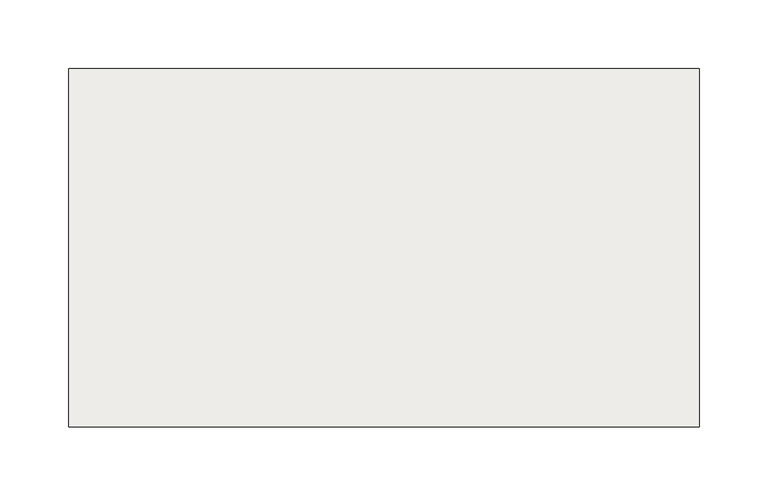
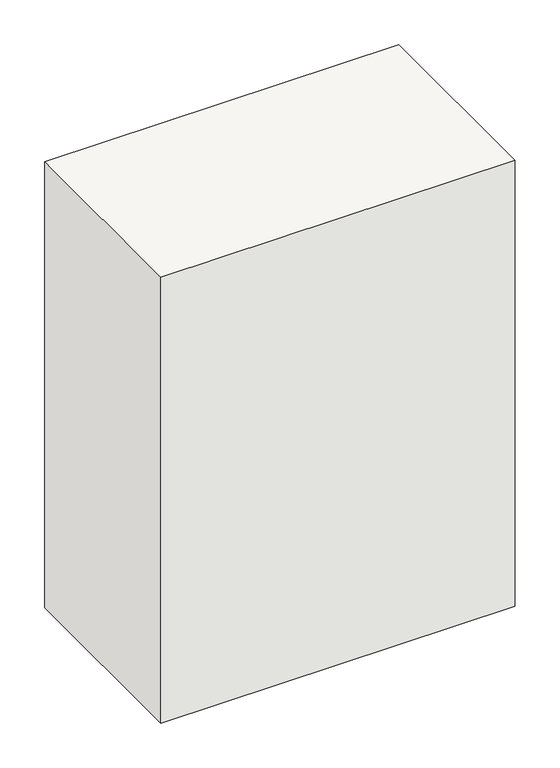
"""IFC4 building model written with IfcOpenShell, lengths in millimetres: slab geometry."""

from ifc_helpers import new_model, si_unit, origin, place, context, project, spatial, faceted_brep, source, transform, mapped, element, save


def slab_86d3b6f7(model_context):
    return source(origin(), model_context, "Body", "Brep", [
        faceted_brep([(3243.1551397, -9742.2498715, 0.0), (3243.1551397, -9482.1845438, 0.0), (2785.9551397, -9482.1845438, 0.0), (2785.9551397, -9742.2498715, 0.0), (3243.1551397, -9742.2498715, -608.7357857), (2785.9551397, -9742.2498715, -608.7357857), (2785.9551397, -9482.1845438, -608.7357857), (3243.1551397, -9482.1845438, -608.7357857), (2785.9551397, -9482.1845438, -279.4)], [[[0, 1, 2, 3]], [[4, 5, 6, 7]], [[1, 0, 4, 7]], [[2, 1, 7, 6, 8]], [[3, 2, 8, 6, 5]], [[0, 3, 5, 4]]]),
    ])


if __name__ == "__main__":
    model = new_model("IFC4")
    model_context = context("Model", 3, world=origin())
    ifc_project = project(units=[si_unit("LENGTHUNIT", "METRE", prefix="MILLI")], contexts=[model_context])
    site = spatial("IfcSite", under=ifc_project)
    building = spatial("IfcBuilding", under=site)
    placement = place(None, origin())
    slab_shape = slab_86d3b6f7(model_context)
    element("IfcSlab", 1, at=placement, inside=building, context=model_context, shape_type="MappedRepresentation", body=[
        mapped(slab_shape, transform((0.0, 0.0, 0.0), x_axis=(1.0, 0.0, 0.0), y_axis=(0.0, 1.0, 0.0), z_axis=(0.0, 0.0, 1.0))),
    ])
    save(model, "model.ifc")
